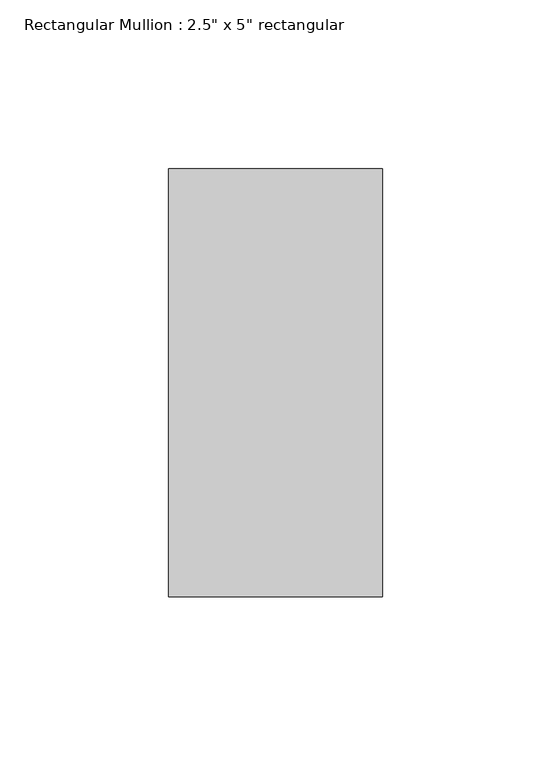
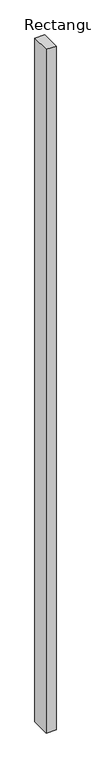
"""IFC4 building model written with IfcOpenShell, lengths in millimetres: member geometry."""

from ifc_helpers import new_model, si_unit, frame, origin, place, context, project, spatial, polyline, outline, extrude, source, transform, mapped, element, save


def member_c0d03f27(model_context):
    return source(origin(), model_context, "Body", "SweptSolid", [
        extrude(outline(polyline([(31.75, 63.5), (31.75, -63.5), (-31.75, -63.5), (-31.75, 63.5), (31.75, 63.5)])), frame((0.0, 0.0, -4679.2344716), z_axis=(0.0, 0.0, 1.0), x_axis=(1.0, 0.0, 0.0)), (0.0, 0.0, 1.0), 4679.2344716),
    ])


if __name__ == "__main__":
    model = new_model("IFC4")
    model_context = context("Model", 3, world=origin())
    ifc_project = project(units=[si_unit("LENGTHUNIT", "METRE", prefix="MILLI")], contexts=[model_context])
    site = spatial("IfcSite", under=ifc_project)
    building = spatial("IfcBuilding", under=site)
    placement = place(None, origin())
    member_shape = member_c0d03f27(model_context)
    element("IfcMember", 1, ObjectType="Rectangular Mullion : 2.5\" x 5\" rectangular", at=placement, inside=building, context=model_context, shape_type="MappedRepresentation", body=[
        mapped(member_shape, transform((0.0, 0.0, 0.0), x_axis=(1.0, 0.0, 0.0), y_axis=(0.0, 1.0, 0.0), z_axis=(0.0, 0.0, 1.0))),
    ])
    save(model, "model.ifc")
